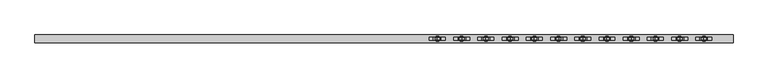
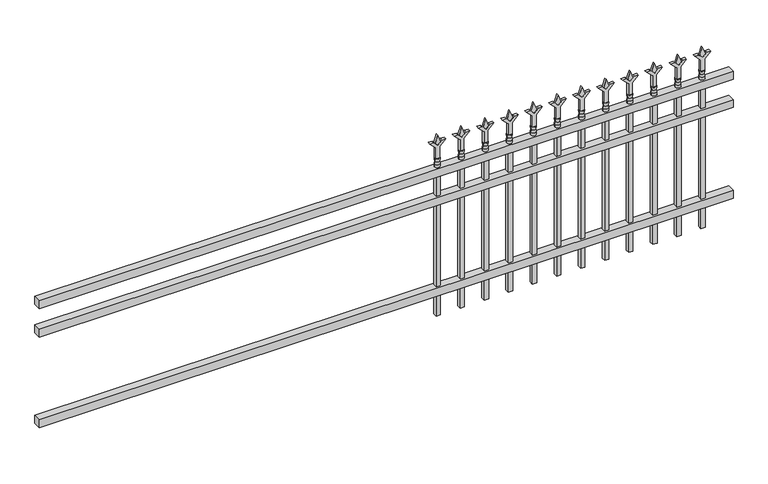
"""IFC4 building model written with IfcOpenShell, lengths in millimetres: railing geometry."""

from ifc_helpers import new_model, si_unit, frame, origin, place, context, project, spatial, polyline, circle_curve, outline, extrude, source, transform, mapped, element, save
from ifc_brep_helpers import plane_surface, cylinder_surface, revolved_surface, advanced_brep


def railing_b8840942(model_context):
    return source(origin(), model_context, "Body", "SolidModel", [
        extrude(outline(polyline([(-91799.918087, -652.7195174), (-91799.918087, -617.7945174), (-88650.318087, -617.7945174), (-88650.318087, -652.7195174), (-91799.918087, -652.7195174)])), frame((0.0, 0.0, 723.9), z_axis=(0.0, 0.0, 1.0), x_axis=(1.0, 0.0, 0.0)), (0.0, 0.0, 1.0), 38.1),
        extrude(outline(polyline([(-91799.918087, -652.7195174), (-91799.918087, -617.7945174), (-88650.318087, -617.7945174), (-88650.318087, -652.7195174), (-91799.918087, -652.7195174)])), frame((0.0, 0.0, 587.375), z_axis=(0.0, 0.0, 1.0), x_axis=(1.0, 0.0, 0.0)), (0.0, 0.0, 1.0), 38.1),
        extrude(outline(polyline([(-91799.918087, -652.7195174), (-91799.918087, -617.7945174), (-88650.318087, -617.7945174), (-88650.318087, -652.7195174), (-91799.918087, -652.7195174)])), frame((0.0, 0.0, 152.4), z_axis=(0.0, 0.0, 1.0), x_axis=(1.0, 0.0, 0.0)), (0.0, 0.0, 1.0), 38.1),
        extrude(outline(polyline([(878.68125, -88879.4472536), (914.4, -88891.3535036), (878.68125, -88903.2597536), (866.775, -88891.3535036), (878.68125, -88879.4472536)])), frame((0.0, -640.0195174, 0.0), z_axis=(0.0, 1.0, 0.0), x_axis=(0.0, 0.0, 1.0)), (0.0, 0.0, 1.0), 9.525),
        extrude(outline(polyline([(803.275, -88882.6222536), (857.5457378, -88882.6222536), (884.7355122, -88855.4324791), (884.7355122, -88873.3929914), (866.775, -88891.3535036), (884.7355122, -88909.3140159), (884.7355122, -88927.2745281), (857.5457378, -88900.0847536), (803.275, -88900.0847536), (803.275, -88882.6222536)])), frame((0.0, -641.6070174, 0.0), z_axis=(0.0, 1.0, 0.0), x_axis=(0.0, 0.0, 1.0)), (0.0, 0.0, 1.0), 12.7),
        advanced_brep(
        [(-88879.4472536, -635.2570174, 774.7), (-88903.2597536, -635.2570174, 774.7), (-88903.2597536, -635.2570174, 762.0), (-88879.4472536, -635.2570174, 762.0), (-88881.6525855, -635.2570174, 787.2070585), (-88901.0544218, -635.2570174, 787.2070585), (-88879.4472536, -635.2570174, 803.275), (-88903.2597536, -635.2570174, 803.275), (-88891.3535036, -635.2570174, 803.275), (-88891.3535036, -635.2570174, 762.0)],
        [
            (0, 1, circle_curve(frame((-88891.3535036, -635.2570174, 774.7), z_axis=(0.0, 0.0, -1.0), x_axis=(-1.0, 0.0, 0.0)), 11.90625)),
            (1, 2),
            (2, 3, circle_curve(frame((-88891.3535036, -635.2570174, 762.0), z_axis=(0.0, 0.0, 1.0), x_axis=(-1.0, 0.0, 0.0)), 11.90625)),
            (3, 0),
            (1, 0, circle_curve(frame((-88891.3535036, -635.2570174, 774.7), z_axis=(0.0, 0.0, -1.0), x_axis=(-1.0, 0.0, 0.0)), 11.90625)),
            (3, 2, circle_curve(frame((-88891.3535036, -635.2570174, 762.0), z_axis=(0.0, 0.0, 1.0), x_axis=(-1.0, 0.0, 0.0)), 11.90625)),
            (4, 5, circle_curve(frame((-88891.3535036, -635.2570174, 787.2070585), z_axis=(0.0, 0.0, -1.0), x_axis=(-1.0, 0.0, 0.0)), 9.7009181)),
            (5, 1),
            (0, 4),
            (5, 4, circle_curve(frame((-88891.3535036, -635.2570174, 787.2070585), z_axis=(0.0, 0.0, -1.0), x_axis=(-1.0, 0.0, 0.0)), 9.7009181)),
            (6, 7, circle_curve(frame((-88891.3535036, -635.2570174, 803.275), z_axis=(0.0, 0.0, -1.0), x_axis=(-1.0, 0.0, 0.0)), 11.90625)),
            (7, 5),
            (4, 6),
            (7, 6, circle_curve(frame((-88891.3535036, -635.2570174, 803.275), z_axis=(0.0, 0.0, -1.0), x_axis=(-1.0, 0.0, 0.0)), 11.90625)),
            (8, 7),
            (6, 8),
            (2, 9),
            (9, 3),
        ],
        [
            cylinder_surface(frame((-88891.3535036, -635.2570174, 762.0), z_axis=(0.0, 0.0, 1.0), x_axis=(-1.0, 0.0, 0.0)), 11.90625),
            revolved_surface(polyline([(-88903.2597536, -635.2570174, 774.7), (-88901.0544218, -635.2570174, 787.2070585)]), (-88891.3535036, -635.2570174, 762.0), (0.0, 0.0, 1.0)),
            revolved_surface(polyline([(-88901.0544218, -635.2570174, 787.2070585), (-88903.2597536, -635.2570174, 803.275)]), (-88891.3535036, -635.2570174, 762.0), (0.0, 0.0, 1.0)),
            plane_surface(frame((-88891.3535036, -635.2570174, 803.275), z_axis=(0.0, 0.0, 1.0), x_axis=(-1.0, 0.0, 0.0))),
            plane_surface(frame((-88891.3535036, -635.2570174, 762.0), z_axis=(0.0, 0.0, -1.0), x_axis=(-1.0, 0.0, 0.0))),
        ],
        [
            (0, [[1, 2, 3, 4]]),
            (0, [[5, -4, 6, -2]]),
            (1, [[7, 8, -1, 9]]),
            (1, [[10, -9, -5, -8]]),
            (2, [[11, 12, -7, 13]]),
            (2, [[14, -13, -10, -12]]),
            (3, [[15, -11, 16]]),
            (3, [[-16, -14, -15]]),
            (4, [[-3, 17, 18]]),
            (4, [[-6, -18, -17]]),
        ],
    ),
        extrude(outline(polyline([(-88900.8785036, -625.7320174), (-88881.8285036, -625.7320174), (-88881.8285036, -644.7820174), (-88900.8785036, -644.7820174), (-88900.8785036, -625.7320174)])), frame((0.0, 0.0, 50.8), z_axis=(0.0, 0.0, 1.0), x_axis=(1.0, 0.0, 0.0)), (0.0, 0.0, 1.0), 711.2),
        extrude(outline(polyline([(878.68125, -88988.7201703), (914.4, -89000.6264203), (878.68125, -89012.5326703), (866.775, -89000.6264203), (878.68125, -88988.7201703)])), frame((0.0, -640.0195174, 0.0), z_axis=(0.0, 1.0, 0.0), x_axis=(0.0, 0.0, 1.0)), (0.0, 0.0, 1.0), 9.525),
        extrude(outline(polyline([(803.275, -88991.8951703), (857.5457378, -88991.8951703), (884.7355122, -88964.7053958), (884.7355122, -88982.6659081), (866.775, -89000.6264203), (884.7355122, -89018.5869325), (884.7355122, -89036.5474448), (857.5457378, -89009.3576703), (803.275, -89009.3576703), (803.275, -88991.8951703)])), frame((0.0, -641.6070174, 0.0), z_axis=(0.0, 1.0, 0.0), x_axis=(0.0, 0.0, 1.0)), (0.0, 0.0, 1.0), 12.7),
        advanced_brep(
        [(-88988.7201703, -635.2570174, 774.7), (-89012.5326703, -635.2570174, 774.7), (-89012.5326703, -635.2570174, 762.0), (-88988.7201703, -635.2570174, 762.0), (-88990.9255022, -635.2570174, 787.2070585), (-89010.3273384, -635.2570174, 787.2070585), (-88988.7201703, -635.2570174, 803.275), (-89012.5326703, -635.2570174, 803.275), (-89000.6264203, -635.2570174, 803.275), (-89000.6264203, -635.2570174, 762.0)],
        [
            (0, 1, circle_curve(frame((-89000.6264203, -635.2570174, 774.7), z_axis=(0.0, 0.0, -1.0), x_axis=(-1.0, 0.0, 0.0)), 11.90625)),
            (1, 2),
            (2, 3, circle_curve(frame((-89000.6264203, -635.2570174, 762.0), z_axis=(0.0, 0.0, 1.0), x_axis=(-1.0, 0.0, 0.0)), 11.90625)),
            (3, 0),
            (1, 0, circle_curve(frame((-89000.6264203, -635.2570174, 774.7), z_axis=(0.0, 0.0, -1.0), x_axis=(-1.0, 0.0, 0.0)), 11.90625)),
            (3, 2, circle_curve(frame((-89000.6264203, -635.2570174, 762.0), z_axis=(0.0, 0.0, 1.0), x_axis=(-1.0, 0.0, 0.0)), 11.90625)),
            (4, 5, circle_curve(frame((-89000.6264203, -635.2570174, 787.2070585), z_axis=(0.0, 0.0, -1.0), x_axis=(-1.0, 0.0, 0.0)), 9.7009181)),
            (5, 1),
            (0, 4),
            (5, 4, circle_curve(frame((-89000.6264203, -635.2570174, 787.2070585), z_axis=(0.0, 0.0, -1.0), x_axis=(-1.0, 0.0, 0.0)), 9.7009181)),
            (6, 7, circle_curve(frame((-89000.6264203, -635.2570174, 803.275), z_axis=(0.0, 0.0, -1.0), x_axis=(-1.0, 0.0, 0.0)), 11.90625)),
            (7, 5),
            (4, 6),
            (7, 6, circle_curve(frame((-89000.6264203, -635.2570174, 803.275), z_axis=(0.0, 0.0, -1.0), x_axis=(-1.0, 0.0, 0.0)), 11.90625)),
            (8, 7),
            (6, 8),
            (2, 9),
            (9, 3),
        ],
        [
            cylinder_surface(frame((-89000.6264203, -635.2570174, 762.0), z_axis=(0.0, 0.0, 1.0), x_axis=(-1.0, 0.0, 0.0)), 11.90625),
            revolved_surface(polyline([(-89012.5326703, -635.2570174, 774.7), (-89010.3273384, -635.2570174, 787.2070585)]), (-89000.6264203, -635.2570174, 762.0), (0.0, 0.0, 1.0)),
            revolved_surface(polyline([(-89010.3273384, -635.2570174, 787.2070585), (-89012.5326703, -635.2570174, 803.275)]), (-89000.6264203, -635.2570174, 762.0), (0.0, 0.0, 1.0)),
            plane_surface(frame((-89000.6264203, -635.2570174, 803.275), z_axis=(0.0, 0.0, 1.0), x_axis=(-1.0, 0.0, 0.0))),
            plane_surface(frame((-89000.6264203, -635.2570174, 762.0), z_axis=(0.0, 0.0, -1.0), x_axis=(-1.0, 0.0, 0.0))),
        ],
        [
            (0, [[1, 2, 3, 4]]),
            (0, [[5, -4, 6, -2]]),
            (1, [[7, 8, -1, 9]]),
            (1, [[10, -9, -5, -8]]),
            (2, [[11, 12, -7, 13]]),
            (2, [[14, -13, -10, -12]]),
            (3, [[15, -11, 16]]),
            (3, [[-16, -14, -15]]),
            (4, [[-3, 17, 18]]),
            (4, [[-6, -18, -17]]),
        ],
    ),
        extrude(outline(polyline([(-89010.1514203, -625.7320174), (-88991.1014203, -625.7320174), (-88991.1014203, -644.7820174), (-89010.1514203, -644.7820174), (-89010.1514203, -625.7320174)])), frame((0.0, 0.0, 50.8), z_axis=(0.0, 0.0, 1.0), x_axis=(1.0, 0.0, 0.0)), (0.0, 0.0, 1.0), 711.2),
        extrude(outline(polyline([(878.68125, -89097.993087), (914.4, -89109.899337), (878.68125, -89121.805587), (866.775, -89109.899337), (878.68125, -89097.993087)])), frame((0.0, -640.0195174, 0.0), z_axis=(0.0, 1.0, 0.0), x_axis=(0.0, 0.0, 1.0)), (0.0, 0.0, 1.0), 9.525),
        extrude(outline(polyline([(803.275, -89101.168087), (857.5457378, -89101.168087), (884.7355122, -89073.9783125), (884.7355122, -89091.9388247), (866.775, -89109.899337), (884.7355122, -89127.8598492), (884.7355122, -89145.8203614), (857.5457378, -89118.630587), (803.275, -89118.630587), (803.275, -89101.168087)])), frame((0.0, -641.6070174, 0.0), z_axis=(0.0, 1.0, 0.0), x_axis=(0.0, 0.0, 1.0)), (0.0, 0.0, 1.0), 12.7),
        advanced_brep(
        [(-89097.993087, -635.2570174, 774.7), (-89121.805587, -635.2570174, 774.7), (-89121.805587, -635.2570174, 762.0), (-89097.993087, -635.2570174, 762.0), (-89100.1984188, -635.2570174, 787.2070585), (-89119.6002551, -635.2570174, 787.2070585), (-89097.993087, -635.2570174, 803.275), (-89121.805587, -635.2570174, 803.275), (-89109.899337, -635.2570174, 803.275), (-89109.899337, -635.2570174, 762.0)],
        [
            (0, 1, circle_curve(frame((-89109.899337, -635.2570174, 774.7), z_axis=(0.0, 0.0, -1.0), x_axis=(-1.0, 0.0, 0.0)), 11.90625)),
            (1, 2),
            (2, 3, circle_curve(frame((-89109.899337, -635.2570174, 762.0), z_axis=(0.0, 0.0, 1.0), x_axis=(-1.0, 0.0, 0.0)), 11.90625)),
            (3, 0),
            (1, 0, circle_curve(frame((-89109.899337, -635.2570174, 774.7), z_axis=(0.0, 0.0, -1.0), x_axis=(-1.0, 0.0, 0.0)), 11.90625)),
            (3, 2, circle_curve(frame((-89109.899337, -635.2570174, 762.0), z_axis=(0.0, 0.0, 1.0), x_axis=(-1.0, 0.0, 0.0)), 11.90625)),
            (4, 5, circle_curve(frame((-89109.899337, -635.2570174, 787.2070585), z_axis=(0.0, 0.0, -1.0), x_axis=(-1.0, 0.0, 0.0)), 9.7009181)),
            (5, 1),
            (0, 4),
            (5, 4, circle_curve(frame((-89109.899337, -635.2570174, 787.2070585), z_axis=(0.0, 0.0, -1.0), x_axis=(-1.0, 0.0, 0.0)), 9.7009181)),
            (6, 7, circle_curve(frame((-89109.899337, -635.2570174, 803.275), z_axis=(0.0, 0.0, -1.0), x_axis=(-1.0, 0.0, 0.0)), 11.90625)),
            (7, 5),
            (4, 6),
            (7, 6, circle_curve(frame((-89109.899337, -635.2570174, 803.275), z_axis=(0.0, 0.0, -1.0), x_axis=(-1.0, 0.0, 0.0)), 11.90625)),
            (8, 7),
            (6, 8),
            (2, 9),
            (9, 3),
        ],
        [
            cylinder_surface(frame((-89109.899337, -635.2570174, 762.0), z_axis=(0.0, 0.0, 1.0), x_axis=(-1.0, 0.0, 0.0)), 11.90625),
            revolved_surface(polyline([(-89121.805587, -635.2570174, 774.7), (-89119.6002551, -635.2570174, 787.2070585)]), (-89109.899337, -635.2570174, 762.0), (0.0, 0.0, 1.0)),
            revolved_surface(polyline([(-89119.6002551, -635.2570174, 787.2070585), (-89121.805587, -635.2570174, 803.275)]), (-89109.899337, -635.2570174, 762.0), (0.0, 0.0, 1.0)),
            plane_surface(frame((-89109.899337, -635.2570174, 803.275), z_axis=(0.0, 0.0, 1.0), x_axis=(-1.0, 0.0, 0.0))),
            plane_surface(frame((-89109.899337, -635.2570174, 762.0), z_axis=(0.0, 0.0, -1.0), x_axis=(-1.0, 0.0, 0.0))),
        ],
        [
            (0, [[1, 2, 3, 4]]),
            (0, [[5, -4, 6, -2]]),
            (1, [[7, 8, -1, 9]]),
            (1, [[10, -9, -5, -8]]),
            (2, [[11, 12, -7, 13]]),
            (2, [[14, -13, -10, -12]]),
            (3, [[15, -11, 16]]),
            (3, [[-16, -14, -15]]),
            (4, [[-3, 17, 18]]),
            (4, [[-6, -18, -17]]),
        ],
    ),
        extrude(outline(polyline([(-89119.424337, -625.7320174), (-89100.374337, -625.7320174), (-89100.374337, -644.7820174), (-89119.424337, -644.7820174), (-89119.424337, -625.7320174)])), frame((0.0, 0.0, 50.8), z_axis=(0.0, 0.0, 1.0), x_axis=(1.0, 0.0, 0.0)), (0.0, 0.0, 1.0), 711.2),
        extrude(outline(polyline([(878.68125, -89207.2660036), (914.4, -89219.1722536), (878.68125, -89231.0785036), (866.775, -89219.1722536), (878.68125, -89207.2660036)])), frame((0.0, -640.0195174, 0.0), z_axis=(0.0, 1.0, 0.0), x_axis=(0.0, 0.0, 1.0)), (0.0, 0.0, 1.0), 9.525),
        extrude(outline(polyline([(803.275, -89210.4410036), (857.5457378, -89210.4410036), (884.7355122, -89183.2512291), (884.7355122, -89201.2117414), (866.775, -89219.1722536), (884.7355122, -89237.1327659), (884.7355122, -89255.0932781), (857.5457378, -89227.9035036), (803.275, -89227.9035036), (803.275, -89210.4410036)])), frame((0.0, -641.6070174, 0.0), z_axis=(0.0, 1.0, 0.0), x_axis=(0.0, 0.0, 1.0)), (0.0, 0.0, 1.0), 12.7),
        advanced_brep(
        [(-89207.2660036, -635.2570174, 774.7), (-89231.0785036, -635.2570174, 774.7), (-89231.0785036, -635.2570174, 762.0), (-89207.2660036, -635.2570174, 762.0), (-89209.4713355, -635.2570174, 787.2070585), (-89228.8731718, -635.2570174, 787.2070585), (-89207.2660036, -635.2570174, 803.275), (-89231.0785036, -635.2570174, 803.275), (-89219.1722536, -635.2570174, 803.275), (-89219.1722536, -635.2570174, 762.0)],
        [
            (0, 1, circle_curve(frame((-89219.1722536, -635.2570174, 774.7), z_axis=(0.0, 0.0, -1.0), x_axis=(-1.0, 0.0, 0.0)), 11.90625)),
            (1, 2),
            (2, 3, circle_curve(frame((-89219.1722536, -635.2570174, 762.0), z_axis=(0.0, 0.0, 1.0), x_axis=(-1.0, 0.0, 0.0)), 11.90625)),
            (3, 0),
            (1, 0, circle_curve(frame((-89219.1722536, -635.2570174, 774.7), z_axis=(0.0, 0.0, -1.0), x_axis=(-1.0, 0.0, 0.0)), 11.90625)),
            (3, 2, circle_curve(frame((-89219.1722536, -635.2570174, 762.0), z_axis=(0.0, 0.0, 1.0), x_axis=(-1.0, 0.0, 0.0)), 11.90625)),
            (4, 5, circle_curve(frame((-89219.1722536, -635.2570174, 787.2070585), z_axis=(0.0, 0.0, -1.0), x_axis=(-1.0, 0.0, 0.0)), 9.7009181)),
            (5, 1),
            (0, 4),
            (5, 4, circle_curve(frame((-89219.1722536, -635.2570174, 787.2070585), z_axis=(0.0, 0.0, -1.0), x_axis=(-1.0, 0.0, 0.0)), 9.7009181)),
            (6, 7, circle_curve(frame((-89219.1722536, -635.2570174, 803.275), z_axis=(0.0, 0.0, -1.0), x_axis=(-1.0, 0.0, 0.0)), 11.90625)),
            (7, 5),
            (4, 6),
            (7, 6, circle_curve(frame((-89219.1722536, -635.2570174, 803.275), z_axis=(0.0, 0.0, -1.0), x_axis=(-1.0, 0.0, 0.0)), 11.90625)),
            (8, 7),
            (6, 8),
            (2, 9),
            (9, 3),
        ],
        [
            cylinder_surface(frame((-89219.1722536, -635.2570174, 762.0), z_axis=(0.0, 0.0, 1.0), x_axis=(-1.0, 0.0, 0.0)), 11.90625),
            revolved_surface(polyline([(-89231.0785036, -635.2570174, 774.7), (-89228.8731718, -635.2570174, 787.2070585)]), (-89219.1722536, -635.2570174, 762.0), (0.0, 0.0, 1.0)),
            revolved_surface(polyline([(-89228.8731718, -635.2570174, 787.2070585), (-89231.0785036, -635.2570174, 803.275)]), (-89219.1722536, -635.2570174, 762.0), (0.0, 0.0, 1.0)),
            plane_surface(frame((-89219.1722536, -635.2570174, 803.275), z_axis=(0.0, 0.0, 1.0), x_axis=(-1.0, 0.0, 0.0))),
            plane_surface(frame((-89219.1722536, -635.2570174, 762.0), z_axis=(0.0, 0.0, -1.0), x_axis=(-1.0, 0.0, 0.0))),
        ],
        [
            (0, [[1, 2, 3, 4]]),
            (0, [[5, -4, 6, -2]]),
            (1, [[7, 8, -1, 9]]),
            (1, [[10, -9, -5, -8]]),
            (2, [[11, 12, -7, 13]]),
            (2, [[14, -13, -10, -12]]),
            (3, [[15, -11, 16]]),
            (3, [[-16, -14, -15]]),
            (4, [[-3, 17, 18]]),
            (4, [[-6, -18, -17]]),
        ],
    ),
        extrude(outline(polyline([(-89228.6972536, -625.7320174), (-89209.6472536, -625.7320174), (-89209.6472536, -644.7820174), (-89228.6972536, -644.7820174), (-89228.6972536, -625.7320174)])), frame((0.0, 0.0, 50.8), z_axis=(0.0, 0.0, 1.0), x_axis=(1.0, 0.0, 0.0)), (0.0, 0.0, 1.0), 711.2),
        extrude(outline(polyline([(878.68125, -89316.5389203), (914.4, -89328.4451703), (878.68125, -89340.3514203), (866.775, -89328.4451703), (878.68125, -89316.5389203)])), frame((0.0, -640.0195174, 0.0), z_axis=(0.0, 1.0, 0.0), x_axis=(0.0, 0.0, 1.0)), (0.0, 0.0, 1.0), 9.525),
        extrude(outline(polyline([(803.275, -89319.7139203), (857.5457378, -89319.7139203), (884.7355122, -89292.5241458), (884.7355122, -89310.4846581), (866.775, -89328.4451703), (884.7355122, -89346.4056825), (884.7355122, -89364.3661948), (857.5457378, -89337.1764203), (803.275, -89337.1764203), (803.275, -89319.7139203)])), frame((0.0, -641.6070174, 0.0), z_axis=(0.0, 1.0, 0.0), x_axis=(0.0, 0.0, 1.0)), (0.0, 0.0, 1.0), 12.7),
        advanced_brep(
        [(-89316.5389203, -635.2570174, 774.7), (-89340.3514203, -635.2570174, 774.7), (-89340.3514203, -635.2570174, 762.0), (-89316.5389203, -635.2570174, 762.0), (-89318.7442522, -635.2570174, 787.2070585), (-89338.1460884, -635.2570174, 787.2070585), (-89316.5389203, -635.2570174, 803.275), (-89340.3514203, -635.2570174, 803.275), (-89328.4451703, -635.2570174, 803.275), (-89328.4451703, -635.2570174, 762.0)],
        [
            (0, 1, circle_curve(frame((-89328.4451703, -635.2570174, 774.7), z_axis=(0.0, 0.0, -1.0), x_axis=(-1.0, 0.0, 0.0)), 11.90625)),
            (1, 2),
            (2, 3, circle_curve(frame((-89328.4451703, -635.2570174, 762.0), z_axis=(0.0, 0.0, 1.0), x_axis=(-1.0, 0.0, 0.0)), 11.90625)),
            (3, 0),
            (1, 0, circle_curve(frame((-89328.4451703, -635.2570174, 774.7), z_axis=(0.0, 0.0, -1.0), x_axis=(-1.0, 0.0, 0.0)), 11.90625)),
            (3, 2, circle_curve(frame((-89328.4451703, -635.2570174, 762.0), z_axis=(0.0, 0.0, 1.0), x_axis=(-1.0, 0.0, 0.0)), 11.90625)),
            (4, 5, circle_curve(frame((-89328.4451703, -635.2570174, 787.2070585), z_axis=(0.0, 0.0, -1.0), x_axis=(-1.0, 0.0, 0.0)), 9.7009181)),
            (5, 1),
            (0, 4),
            (5, 4, circle_curve(frame((-89328.4451703, -635.2570174, 787.2070585), z_axis=(0.0, 0.0, -1.0), x_axis=(-1.0, 0.0, 0.0)), 9.7009181)),
            (6, 7, circle_curve(frame((-89328.4451703, -635.2570174, 803.275), z_axis=(0.0, 0.0, -1.0), x_axis=(-1.0, 0.0, 0.0)), 11.90625)),
            (7, 5),
            (4, 6),
            (7, 6, circle_curve(frame((-89328.4451703, -635.2570174, 803.275), z_axis=(0.0, 0.0, -1.0), x_axis=(-1.0, 0.0, 0.0)), 11.90625)),
            (8, 7),
            (6, 8),
            (2, 9),
            (9, 3),
        ],
        [
            cylinder_surface(frame((-89328.4451703, -635.2570174, 762.0), z_axis=(0.0, 0.0, 1.0), x_axis=(-1.0, 0.0, 0.0)), 11.90625),
            revolved_surface(polyline([(-89340.3514203, -635.2570174, 774.7), (-89338.1460884, -635.2570174, 787.2070585)]), (-89328.4451703, -635.2570174, 762.0), (0.0, 0.0, 1.0)),
            revolved_surface(polyline([(-89338.1460884, -635.2570174, 787.2070585), (-89340.3514203, -635.2570174, 803.275)]), (-89328.4451703, -635.2570174, 762.0), (0.0, 0.0, 1.0)),
            plane_surface(frame((-89328.4451703, -635.2570174, 803.275), z_axis=(0.0, 0.0, 1.0), x_axis=(-1.0, 0.0, 0.0))),
            plane_surface(frame((-89328.4451703, -635.2570174, 762.0), z_axis=(0.0, 0.0, -1.0), x_axis=(-1.0, 0.0, 0.0))),
        ],
        [
            (0, [[1, 2, 3, 4]]),
            (0, [[5, -4, 6, -2]]),
            (1, [[7, 8, -1, 9]]),
            (1, [[10, -9, -5, -8]]),
            (2, [[11, 12, -7, 13]]),
            (2, [[14, -13, -10, -12]]),
            (3, [[15, -11, 16]]),
            (3, [[-16, -14, -15]]),
            (4, [[-3, 17, 18]]),
            (4, [[-6, -18, -17]]),
        ],
    ),
        extrude(outline(polyline([(-89337.9701703, -625.7320174), (-89318.9201703, -625.7320174), (-89318.9201703, -644.7820174), (-89337.9701703, -644.7820174), (-89337.9701703, -625.7320174)])), frame((0.0, 0.0, 50.8), z_axis=(0.0, 0.0, 1.0), x_axis=(1.0, 0.0, 0.0)), (0.0, 0.0, 1.0), 711.2),
        extrude(outline(polyline([(878.68125, -89425.811837), (914.4, -89437.718087), (878.68125, -89449.624337), (866.775, -89437.718087), (878.68125, -89425.811837)])), frame((0.0, -640.0195174, 0.0), z_axis=(0.0, 1.0, 0.0), x_axis=(0.0, 0.0, 1.0)), (0.0, 0.0, 1.0), 9.525),
        extrude(outline(polyline([(803.275, -89428.986837), (857.5457378, -89428.986837), (884.7355122, -89401.7970625), (884.7355122, -89419.7575747), (866.775, -89437.718087), (884.7355122, -89455.6785992), (884.7355122, -89473.6391114), (857.5457378, -89446.449337), (803.275, -89446.449337), (803.275, -89428.986837)])), frame((0.0, -641.6070174, 0.0), z_axis=(0.0, 1.0, 0.0), x_axis=(0.0, 0.0, 1.0)), (0.0, 0.0, 1.0), 12.7),
        advanced_brep(
        [(-89425.811837, -635.2570174, 774.7), (-89449.624337, -635.2570174, 774.7), (-89449.624337, -635.2570174, 762.0), (-89425.811837, -635.2570174, 762.0), (-89428.0171688, -635.2570174, 787.2070585), (-89447.4190051, -635.2570174, 787.2070585), (-89425.811837, -635.2570174, 803.275), (-89449.624337, -635.2570174, 803.275), (-89437.718087, -635.2570174, 803.275), (-89437.718087, -635.2570174, 762.0)],
        [
            (0, 1, circle_curve(frame((-89437.718087, -635.2570174, 774.7), z_axis=(0.0, 0.0, -1.0), x_axis=(-1.0, 0.0, 0.0)), 11.90625)),
            (1, 2),
            (2, 3, circle_curve(frame((-89437.718087, -635.2570174, 762.0), z_axis=(0.0, 0.0, 1.0), x_axis=(-1.0, 0.0, 0.0)), 11.90625)),
            (3, 0),
            (1, 0, circle_curve(frame((-89437.718087, -635.2570174, 774.7), z_axis=(0.0, 0.0, -1.0), x_axis=(-1.0, 0.0, 0.0)), 11.90625)),
            (3, 2, circle_curve(frame((-89437.718087, -635.2570174, 762.0), z_axis=(0.0, 0.0, 1.0), x_axis=(-1.0, 0.0, 0.0)), 11.90625)),
            (4, 5, circle_curve(frame((-89437.718087, -635.2570174, 787.2070585), z_axis=(0.0, 0.0, -1.0), x_axis=(-1.0, 0.0, 0.0)), 9.7009181)),
            (5, 1),
            (0, 4),
            (5, 4, circle_curve(frame((-89437.718087, -635.2570174, 787.2070585), z_axis=(0.0, 0.0, -1.0), x_axis=(-1.0, 0.0, 0.0)), 9.7009181)),
            (6, 7, circle_curve(frame((-89437.718087, -635.2570174, 803.275), z_axis=(0.0, 0.0, -1.0), x_axis=(-1.0, 0.0, 0.0)), 11.90625)),
            (7, 5),
            (4, 6),
            (7, 6, circle_curve(frame((-89437.718087, -635.2570174, 803.275), z_axis=(0.0, 0.0, -1.0), x_axis=(-1.0, 0.0, 0.0)), 11.90625)),
            (8, 7),
            (6, 8),
            (2, 9),
            (9, 3),
        ],
        [
            cylinder_surface(frame((-89437.718087, -635.2570174, 762.0), z_axis=(0.0, 0.0, 1.0), x_axis=(-1.0, 0.0, 0.0)), 11.90625),
            revolved_surface(polyline([(-89449.624337, -635.2570174, 774.7), (-89447.4190051, -635.2570174, 787.2070585)]), (-89437.718087, -635.2570174, 762.0), (0.0, 0.0, 1.0)),
            revolved_surface(polyline([(-89447.4190051, -635.2570174, 787.2070585), (-89449.624337, -635.2570174, 803.275)]), (-89437.718087, -635.2570174, 762.0), (0.0, 0.0, 1.0)),
            plane_surface(frame((-89437.718087, -635.2570174, 803.275), z_axis=(0.0, 0.0, 1.0), x_axis=(-1.0, 0.0, 0.0))),
            plane_surface(frame((-89437.718087, -635.2570174, 762.0), z_axis=(0.0, 0.0, -1.0), x_axis=(-1.0, 0.0, 0.0))),
        ],
        [
            (0, [[1, 2, 3, 4]]),
            (0, [[5, -4, 6, -2]]),
            (1, [[7, 8, -1, 9]]),
            (1, [[10, -9, -5, -8]]),
            (2, [[11, 12, -7, 13]]),
            (2, [[14, -13, -10, -12]]),
            (3, [[15, -11, 16]]),
            (3, [[-16, -14, -15]]),
            (4, [[-3, 17, 18]]),
            (4, [[-6, -18, -17]]),
        ],
    ),
        extrude(outline(polyline([(-89447.243087, -625.7320174), (-89428.193087, -625.7320174), (-89428.193087, -644.7820174), (-89447.243087, -644.7820174), (-89447.243087, -625.7320174)])), frame((0.0, 0.0, 50.8), z_axis=(0.0, 0.0, 1.0), x_axis=(1.0, 0.0, 0.0)), (0.0, 0.0, 1.0), 711.2),
        extrude(outline(polyline([(878.68125, -89535.0847536), (914.4, -89546.9910036), (878.68125, -89558.8972536), (866.775, -89546.9910036), (878.68125, -89535.0847536)])), frame((0.0, -640.0195174, 0.0), z_axis=(0.0, 1.0, 0.0), x_axis=(0.0, 0.0, 1.0)), (0.0, 0.0, 1.0), 9.525),
        extrude(outline(polyline([(803.275, -89538.2597536), (857.5457378, -89538.2597536), (884.7355122, -89511.0699791), (884.7355122, -89529.0304914), (866.775, -89546.9910036), (884.7355122, -89564.9515159), (884.7355122, -89582.9120281), (857.5457378, -89555.7222536), (803.275, -89555.7222536), (803.275, -89538.2597536)])), frame((0.0, -641.6070174, 0.0), z_axis=(0.0, 1.0, 0.0), x_axis=(0.0, 0.0, 1.0)), (0.0, 0.0, 1.0), 12.7),
        advanced_brep(
        [(-89535.0847536, -635.2570174, 774.7), (-89558.8972536, -635.2570174, 774.7), (-89558.8972536, -635.2570174, 762.0), (-89535.0847536, -635.2570174, 762.0), (-89537.2900855, -635.2570174, 787.2070585), (-89556.6919218, -635.2570174, 787.2070585), (-89535.0847536, -635.2570174, 803.275), (-89558.8972536, -635.2570174, 803.275), (-89546.9910036, -635.2570174, 803.275), (-89546.9910036, -635.2570174, 762.0)],
        [
            (0, 1, circle_curve(frame((-89546.9910036, -635.2570174, 774.7), z_axis=(0.0, 0.0, -1.0), x_axis=(-1.0, 0.0, 0.0)), 11.90625)),
            (1, 2),
            (2, 3, circle_curve(frame((-89546.9910036, -635.2570174, 762.0), z_axis=(0.0, 0.0, 1.0), x_axis=(-1.0, 0.0, 0.0)), 11.90625)),
            (3, 0),
            (1, 0, circle_curve(frame((-89546.9910036, -635.2570174, 774.7), z_axis=(0.0, 0.0, -1.0), x_axis=(-1.0, 0.0, 0.0)), 11.90625)),
            (3, 2, circle_curve(frame((-89546.9910036, -635.2570174, 762.0), z_axis=(0.0, 0.0, 1.0), x_axis=(-1.0, 0.0, 0.0)), 11.90625)),
            (4, 5, circle_curve(frame((-89546.9910036, -635.2570174, 787.2070585), z_axis=(0.0, 0.0, -1.0), x_axis=(-1.0, 0.0, 0.0)), 9.7009181)),
            (5, 1),
            (0, 4),
            (5, 4, circle_curve(frame((-89546.9910036, -635.2570174, 787.2070585), z_axis=(0.0, 0.0, -1.0), x_axis=(-1.0, 0.0, 0.0)), 9.7009181)),
            (6, 7, circle_curve(frame((-89546.9910036, -635.2570174, 803.275), z_axis=(0.0, 0.0, -1.0), x_axis=(-1.0, 0.0, 0.0)), 11.90625)),
            (7, 5),
            (4, 6),
            (7, 6, circle_curve(frame((-89546.9910036, -635.2570174, 803.275), z_axis=(0.0, 0.0, -1.0), x_axis=(-1.0, 0.0, 0.0)), 11.90625)),
            (8, 7),
            (6, 8),
            (2, 9),
            (9, 3),
        ],
        [
            cylinder_surface(frame((-89546.9910036, -635.2570174, 762.0), z_axis=(0.0, 0.0, 1.0), x_axis=(-1.0, 0.0, 0.0)), 11.90625),
            revolved_surface(polyline([(-89558.8972536, -635.2570174, 774.7), (-89556.6919218, -635.2570174, 787.2070585)]), (-89546.9910036, -635.2570174, 762.0), (0.0, 0.0, 1.0)),
            revolved_surface(polyline([(-89556.6919218, -635.2570174, 787.2070585), (-89558.8972536, -635.2570174, 803.275)]), (-89546.9910036, -635.2570174, 762.0), (0.0, 0.0, 1.0)),
            plane_surface(frame((-89546.9910036, -635.2570174, 803.275), z_axis=(0.0, 0.0, 1.0), x_axis=(-1.0, 0.0, 0.0))),
            plane_surface(frame((-89546.9910036, -635.2570174, 762.0), z_axis=(0.0, 0.0, -1.0), x_axis=(-1.0, 0.0, 0.0))),
        ],
        [
            (0, [[1, 2, 3, 4]]),
            (0, [[5, -4, 6, -2]]),
            (1, [[7, 8, -1, 9]]),
            (1, [[10, -9, -5, -8]]),
            (2, [[11, 12, -7, 13]]),
            (2, [[14, -13, -10, -12]]),
            (3, [[15, -11, 16]]),
            (3, [[-16, -14, -15]]),
            (4, [[-3, 17, 18]]),
            (4, [[-6, -18, -17]]),
        ],
    ),
        extrude(outline(polyline([(-89556.5160036, -625.7320174), (-89537.4660036, -625.7320174), (-89537.4660036, -644.7820174), (-89556.5160036, -644.7820174), (-89556.5160036, -625.7320174)])), frame((0.0, 0.0, 50.8), z_axis=(0.0, 0.0, 1.0), x_axis=(1.0, 0.0, 0.0)), (0.0, 0.0, 1.0), 711.2),
        extrude(outline(polyline([(878.68125, -89644.3576703), (914.4, -89656.2639203), (878.68125, -89668.1701703), (866.775, -89656.2639203), (878.68125, -89644.3576703)])), frame((0.0, -640.0195174, 0.0), z_axis=(0.0, 1.0, 0.0), x_axis=(0.0, 0.0, 1.0)), (0.0, 0.0, 1.0), 9.525),
        extrude(outline(polyline([(803.275, -89647.5326703), (857.5457378, -89647.5326703), (884.7355122, -89620.3428958), (884.7355122, -89638.3034081), (866.775, -89656.2639203), (884.7355122, -89674.2244325), (884.7355122, -89692.1849448), (857.5457378, -89664.9951703), (803.275, -89664.9951703), (803.275, -89647.5326703)])), frame((0.0, -641.6070174, 0.0), z_axis=(0.0, 1.0, 0.0), x_axis=(0.0, 0.0, 1.0)), (0.0, 0.0, 1.0), 12.7),
        advanced_brep(
        [(-89644.3576703, -635.2570174, 774.7), (-89668.1701703, -635.2570174, 774.7), (-89668.1701703, -635.2570174, 762.0), (-89644.3576703, -635.2570174, 762.0), (-89646.5630022, -635.2570174, 787.2070585), (-89665.9648384, -635.2570174, 787.2070585), (-89644.3576703, -635.2570174, 803.275), (-89668.1701703, -635.2570174, 803.275), (-89656.2639203, -635.2570174, 803.275), (-89656.2639203, -635.2570174, 762.0)],
        [
            (0, 1, circle_curve(frame((-89656.2639203, -635.2570174, 774.7), z_axis=(0.0, 0.0, -1.0), x_axis=(-1.0, 0.0, 0.0)), 11.90625)),
            (1, 2),
            (2, 3, circle_curve(frame((-89656.2639203, -635.2570174, 762.0), z_axis=(0.0, 0.0, 1.0), x_axis=(-1.0, 0.0, 0.0)), 11.90625)),
            (3, 0),
            (1, 0, circle_curve(frame((-89656.2639203, -635.2570174, 774.7), z_axis=(0.0, 0.0, -1.0), x_axis=(-1.0, 0.0, 0.0)), 11.90625)),
            (3, 2, circle_curve(frame((-89656.2639203, -635.2570174, 762.0), z_axis=(0.0, 0.0, 1.0), x_axis=(-1.0, 0.0, 0.0)), 11.90625)),
            (4, 5, circle_curve(frame((-89656.2639203, -635.2570174, 787.2070585), z_axis=(0.0, 0.0, -1.0), x_axis=(-1.0, 0.0, 0.0)), 9.7009181)),
            (5, 1),
            (0, 4),
            (5, 4, circle_curve(frame((-89656.2639203, -635.2570174, 787.2070585), z_axis=(0.0, 0.0, -1.0), x_axis=(-1.0, 0.0, 0.0)), 9.7009181)),
            (6, 7, circle_curve(frame((-89656.2639203, -635.2570174, 803.275), z_axis=(0.0, 0.0, -1.0), x_axis=(-1.0, 0.0, 0.0)), 11.90625)),
            (7, 5),
            (4, 6),
            (7, 6, circle_curve(frame((-89656.2639203, -635.2570174, 803.275), z_axis=(0.0, 0.0, -1.0), x_axis=(-1.0, 0.0, 0.0)), 11.90625)),
            (8, 7),
            (6, 8),
            (2, 9),
            (9, 3),
        ],
        [
            cylinder_surface(frame((-89656.2639203, -635.2570174, 762.0), z_axis=(0.0, 0.0, 1.0), x_axis=(-1.0, 0.0, 0.0)), 11.90625),
            revolved_surface(polyline([(-89668.1701703, -635.2570174, 774.7), (-89665.9648384, -635.2570174, 787.2070585)]), (-89656.2639203, -635.2570174, 762.0), (0.0, 0.0, 1.0)),
            revolved_surface(polyline([(-89665.9648384, -635.2570174, 787.2070585), (-89668.1701703, -635.2570174, 803.275)]), (-89656.2639203, -635.2570174, 762.0), (0.0, 0.0, 1.0)),
            plane_surface(frame((-89656.2639203, -635.2570174, 803.275), z_axis=(0.0, 0.0, 1.0), x_axis=(-1.0, 0.0, 0.0))),
            plane_surface(frame((-89656.2639203, -635.2570174, 762.0), z_axis=(0.0, 0.0, -1.0), x_axis=(-1.0, 0.0, 0.0))),
        ],
        [
            (0, [[1, 2, 3, 4]]),
            (0, [[5, -4, 6, -2]]),
            (1, [[7, 8, -1, 9]]),
            (1, [[10, -9, -5, -8]]),
            (2, [[11, 12, -7, 13]]),
            (2, [[14, -13, -10, -12]]),
            (3, [[15, -11, 16]]),
            (3, [[-16, -14, -15]]),
            (4, [[-3, 17, 18]]),
            (4, [[-6, -18, -17]]),
        ],
    ),
        extrude(outline(polyline([(-89665.7889203, -625.7320174), (-89646.7389203, -625.7320174), (-89646.7389203, -644.7820174), (-89665.7889203, -644.7820174), (-89665.7889203, -625.7320174)])), frame((0.0, 0.0, 50.8), z_axis=(0.0, 0.0, 1.0), x_axis=(1.0, 0.0, 0.0)), (0.0, 0.0, 1.0), 711.2),
        extrude(outline(polyline([(878.68125, -89753.630587), (914.4, -89765.536837), (878.68125, -89777.443087), (866.775, -89765.536837), (878.68125, -89753.630587)])), frame((0.0, -640.0195174, 0.0), z_axis=(0.0, 1.0, 0.0), x_axis=(0.0, 0.0, 1.0)), (0.0, 0.0, 1.0), 9.525),
        extrude(outline(polyline([(803.275, -89756.805587), (857.5457378, -89756.805587), (884.7355122, -89729.6158125), (884.7355122, -89747.5763247), (866.775, -89765.536837), (884.7355122, -89783.4973492), (884.7355122, -89801.4578614), (857.5457378, -89774.268087), (803.275, -89774.268087), (803.275, -89756.805587)])), frame((0.0, -641.6070174, 0.0), z_axis=(0.0, 1.0, 0.0), x_axis=(0.0, 0.0, 1.0)), (0.0, 0.0, 1.0), 12.7),
        advanced_brep(
        [(-89753.630587, -635.2570174, 774.7), (-89777.443087, -635.2570174, 774.7), (-89777.443087, -635.2570174, 762.0), (-89753.630587, -635.2570174, 762.0), (-89755.8359188, -635.2570174, 787.2070585), (-89775.2377551, -635.2570174, 787.2070585), (-89753.630587, -635.2570174, 803.275), (-89777.443087, -635.2570174, 803.275), (-89765.536837, -635.2570174, 803.275), (-89765.536837, -635.2570174, 762.0)],
        [
            (0, 1, circle_curve(frame((-89765.536837, -635.2570174, 774.7), z_axis=(0.0, 0.0, -1.0), x_axis=(-1.0, 0.0, 0.0)), 11.90625)),
            (1, 2),
            (2, 3, circle_curve(frame((-89765.536837, -635.2570174, 762.0), z_axis=(0.0, 0.0, 1.0), x_axis=(-1.0, 0.0, 0.0)), 11.90625)),
            (3, 0),
            (1, 0, circle_curve(frame((-89765.536837, -635.2570174, 774.7), z_axis=(0.0, 0.0, -1.0), x_axis=(-1.0, 0.0, 0.0)), 11.90625)),
            (3, 2, circle_curve(frame((-89765.536837, -635.2570174, 762.0), z_axis=(0.0, 0.0, 1.0), x_axis=(-1.0, 0.0, 0.0)), 11.90625)),
            (4, 5, circle_curve(frame((-89765.536837, -635.2570174, 787.2070585), z_axis=(0.0, 0.0, -1.0), x_axis=(-1.0, 0.0, 0.0)), 9.7009181)),
            (5, 1),
            (0, 4),
            (5, 4, circle_curve(frame((-89765.536837, -635.2570174, 787.2070585), z_axis=(0.0, 0.0, -1.0), x_axis=(-1.0, 0.0, 0.0)), 9.7009181)),
            (6, 7, circle_curve(frame((-89765.536837, -635.2570174, 803.275), z_axis=(0.0, 0.0, -1.0), x_axis=(-1.0, 0.0, 0.0)), 11.90625)),
            (7, 5),
            (4, 6),
            (7, 6, circle_curve(frame((-89765.536837, -635.2570174, 803.275), z_axis=(0.0, 0.0, -1.0), x_axis=(-1.0, 0.0, 0.0)), 11.90625)),
            (8, 7),
            (6, 8),
            (2, 9),
            (9, 3),
        ],
        [
            cylinder_surface(frame((-89765.536837, -635.2570174, 762.0), z_axis=(0.0, 0.0, 1.0), x_axis=(-1.0, 0.0, 0.0)), 11.90625),
            revolved_surface(polyline([(-89777.443087, -635.2570174, 774.7), (-89775.2377551, -635.2570174, 787.2070585)]), (-89765.536837, -635.2570174, 762.0), (0.0, 0.0, 1.0)),
            revolved_surface(polyline([(-89775.2377551, -635.2570174, 787.2070585), (-89777.443087, -635.2570174, 803.275)]), (-89765.536837, -635.2570174, 762.0), (0.0, 0.0, 1.0)),
            plane_surface(frame((-89765.536837, -635.2570174, 803.275), z_axis=(0.0, 0.0, 1.0), x_axis=(-1.0, 0.0, 0.0))),
            plane_surface(frame((-89765.536837, -635.2570174, 762.0), z_axis=(0.0, 0.0, -1.0), x_axis=(-1.0, 0.0, 0.0))),
        ],
        [
            (0, [[1, 2, 3, 4]]),
            (0, [[5, -4, 6, -2]]),
            (1, [[7, 8, -1, 9]]),
            (1, [[10, -9, -5, -8]]),
            (2, [[11, 12, -7, 13]]),
            (2, [[14, -13, -10, -12]]),
            (3, [[15, -11, 16]]),
            (3, [[-16, -14, -15]]),
            (4, [[-3, 17, 18]]),
            (4, [[-6, -18, -17]]),
        ],
    ),
        extrude(outline(polyline([(-89775.061837, -625.7320174), (-89756.011837, -625.7320174), (-89756.011837, -644.7820174), (-89775.061837, -644.7820174), (-89775.061837, -625.7320174)])), frame((0.0, 0.0, 50.8), z_axis=(0.0, 0.0, 1.0), x_axis=(1.0, 0.0, 0.0)), (0.0, 0.0, 1.0), 711.2),
        extrude(outline(polyline([(878.68125, -89862.9035036), (914.4, -89874.8097536), (878.68125, -89886.7160036), (866.775, -89874.8097536), (878.68125, -89862.9035036)])), frame((0.0, -640.0195174, 0.0), z_axis=(0.0, 1.0, 0.0), x_axis=(0.0, 0.0, 1.0)), (0.0, 0.0, 1.0), 9.525),
        extrude(outline(polyline([(803.275, -89866.0785036), (857.5457378, -89866.0785036), (884.7355122, -89838.8887291), (884.7355122, -89856.8492414), (866.775, -89874.8097536), (884.7355122, -89892.7702659), (884.7355122, -89910.7307781), (857.5457378, -89883.5410036), (803.275, -89883.5410036), (803.275, -89866.0785036)])), frame((0.0, -641.6070174, 0.0), z_axis=(0.0, 1.0, 0.0), x_axis=(0.0, 0.0, 1.0)), (0.0, 0.0, 1.0), 12.7),
        advanced_brep(
        [(-89862.9035036, -635.2570174, 774.7), (-89886.7160036, -635.2570174, 774.7), (-89886.7160036, -635.2570174, 762.0), (-89862.9035036, -635.2570174, 762.0), (-89865.1088355, -635.2570174, 787.2070585), (-89884.5106718, -635.2570174, 787.2070585), (-89862.9035036, -635.2570174, 803.275), (-89886.7160036, -635.2570174, 803.275), (-89874.8097536, -635.2570174, 803.275), (-89874.8097536, -635.2570174, 762.0)],
        [
            (0, 1, circle_curve(frame((-89874.8097536, -635.2570174, 774.7), z_axis=(0.0, 0.0, -1.0), x_axis=(-1.0, 0.0, 0.0)), 11.90625)),
            (1, 2),
            (2, 3, circle_curve(frame((-89874.8097536, -635.2570174, 762.0), z_axis=(0.0, 0.0, 1.0), x_axis=(-1.0, 0.0, 0.0)), 11.90625)),
            (3, 0),
            (1, 0, circle_curve(frame((-89874.8097536, -635.2570174, 774.7), z_axis=(0.0, 0.0, -1.0), x_axis=(-1.0, 0.0, 0.0)), 11.90625)),
            (3, 2, circle_curve(frame((-89874.8097536, -635.2570174, 762.0), z_axis=(0.0, 0.0, 1.0), x_axis=(-1.0, 0.0, 0.0)), 11.90625)),
            (4, 5, circle_curve(frame((-89874.8097536, -635.2570174, 787.2070585), z_axis=(0.0, 0.0, -1.0), x_axis=(-1.0, 0.0, 0.0)), 9.7009181)),
            (5, 1),
            (0, 4),
            (5, 4, circle_curve(frame((-89874.8097536, -635.2570174, 787.2070585), z_axis=(0.0, 0.0, -1.0), x_axis=(-1.0, 0.0, 0.0)), 9.7009181)),
            (6, 7, circle_curve(frame((-89874.8097536, -635.2570174, 803.275), z_axis=(0.0, 0.0, -1.0), x_axis=(-1.0, 0.0, 0.0)), 11.90625)),
            (7, 5),
            (4, 6),
            (7, 6, circle_curve(frame((-89874.8097536, -635.2570174, 803.275), z_axis=(0.0, 0.0, -1.0), x_axis=(-1.0, 0.0, 0.0)), 11.90625)),
            (8, 7),
            (6, 8),
            (2, 9),
            (9, 3),
        ],
        [
            cylinder_surface(frame((-89874.8097536, -635.2570174, 762.0), z_axis=(0.0, 0.0, 1.0), x_axis=(-1.0, 0.0, 0.0)), 11.90625),
            revolved_surface(polyline([(-89886.7160036, -635.2570174, 774.7), (-89884.5106718, -635.2570174, 787.2070585)]), (-89874.8097536, -635.2570174, 762.0), (0.0, 0.0, 1.0)),
            revolved_surface(polyline([(-89884.5106718, -635.2570174, 787.2070585), (-89886.7160036, -635.2570174, 803.275)]), (-89874.8097536, -635.2570174, 762.0), (0.0, 0.0, 1.0)),
            plane_surface(frame((-89874.8097536, -635.2570174, 803.275), z_axis=(0.0, 0.0, 1.0), x_axis=(-1.0, 0.0, 0.0))),
            plane_surface(frame((-89874.8097536, -635.2570174, 762.0), z_axis=(0.0, 0.0, -1.0), x_axis=(-1.0, 0.0, 0.0))),
        ],
        [
            (0, [[1, 2, 3, 4]]),
            (0, [[5, -4, 6, -2]]),
            (1, [[7, 8, -1, 9]]),
            (1, [[10, -9, -5, -8]]),
            (2, [[11, 12, -7, 13]]),
            (2, [[14, -13, -10, -12]]),
            (3, [[15, -11, 16]]),
            (3, [[-16, -14, -15]]),
            (4, [[-3, 17, 18]]),
            (4, [[-6, -18, -17]]),
        ],
    ),
        extrude(outline(polyline([(-89884.3347536, -625.7320174), (-89865.2847536, -625.7320174), (-89865.2847536, -644.7820174), (-89884.3347536, -644.7820174), (-89884.3347536, -625.7320174)])), frame((0.0, 0.0, 50.8), z_axis=(0.0, 0.0, 1.0), x_axis=(1.0, 0.0, 0.0)), (0.0, 0.0, 1.0), 711.2),
        extrude(outline(polyline([(878.68125, -89972.1764203), (914.4, -89984.0826703), (878.68125, -89995.9889203), (866.775, -89984.0826703), (878.68125, -89972.1764203)])), frame((0.0, -640.0195174, 0.0), z_axis=(0.0, 1.0, 0.0), x_axis=(0.0, 0.0, 1.0)), (0.0, 0.0, 1.0), 9.525),
        extrude(outline(polyline([(803.275, -89975.3514203), (857.5457378, -89975.3514203), (884.7355122, -89948.1616458), (884.7355122, -89966.1221581), (866.775, -89984.0826703), (884.7355122, -90002.0431825), (884.7355122, -90020.0036948), (857.5457378, -89992.8139203), (803.275, -89992.8139203), (803.275, -89975.3514203)])), frame((0.0, -641.6070174, 0.0), z_axis=(0.0, 1.0, 0.0), x_axis=(0.0, 0.0, 1.0)), (0.0, 0.0, 1.0), 12.7),
        advanced_brep(
        [(-89972.1764203, -635.2570174, 774.7), (-89995.9889203, -635.2570174, 774.7), (-89995.9889203, -635.2570174, 762.0), (-89972.1764203, -635.2570174, 762.0), (-89974.3817522, -635.2570174, 787.2070585), (-89993.7835884, -635.2570174, 787.2070585), (-89972.1764203, -635.2570174, 803.275), (-89995.9889203, -635.2570174, 803.275), (-89984.0826703, -635.2570174, 803.275), (-89984.0826703, -635.2570174, 762.0)],
        [
            (0, 1, circle_curve(frame((-89984.0826703, -635.2570174, 774.7), z_axis=(0.0, 0.0, -1.0), x_axis=(-1.0, 0.0, 0.0)), 11.90625)),
            (1, 2),
            (2, 3, circle_curve(frame((-89984.0826703, -635.2570174, 762.0), z_axis=(0.0, 0.0, 1.0), x_axis=(-1.0, 0.0, 0.0)), 11.90625)),
            (3, 0),
            (1, 0, circle_curve(frame((-89984.0826703, -635.2570174, 774.7), z_axis=(0.0, 0.0, -1.0), x_axis=(-1.0, 0.0, 0.0)), 11.90625)),
            (3, 2, circle_curve(frame((-89984.0826703, -635.2570174, 762.0), z_axis=(0.0, 0.0, 1.0), x_axis=(-1.0, 0.0, 0.0)), 11.90625)),
            (4, 5, circle_curve(frame((-89984.0826703, -635.2570174, 787.2070585), z_axis=(0.0, 0.0, -1.0), x_axis=(-1.0, 0.0, 0.0)), 9.7009181)),
            (5, 1),
            (0, 4),
            (5, 4, circle_curve(frame((-89984.0826703, -635.2570174, 787.2070585), z_axis=(0.0, 0.0, -1.0), x_axis=(-1.0, 0.0, 0.0)), 9.7009181)),
            (6, 7, circle_curve(frame((-89984.0826703, -635.2570174, 803.275), z_axis=(0.0, 0.0, -1.0), x_axis=(-1.0, 0.0, 0.0)), 11.90625)),
            (7, 5),
            (4, 6),
            (7, 6, circle_curve(frame((-89984.0826703, -635.2570174, 803.275), z_axis=(0.0, 0.0, -1.0), x_axis=(-1.0, 0.0, 0.0)), 11.90625)),
            (8, 7),
            (6, 8),
            (2, 9),
            (9, 3),
        ],
        [
            cylinder_surface(frame((-89984.0826703, -635.2570174, 762.0), z_axis=(0.0, 0.0, 1.0), x_axis=(-1.0, 0.0, 0.0)), 11.90625),
            revolved_surface(polyline([(-89995.9889203, -635.2570174, 774.7), (-89993.7835884, -635.2570174, 787.2070585)]), (-89984.0826703, -635.2570174, 762.0), (0.0, 0.0, 1.0)),
            revolved_surface(polyline([(-89993.7835884, -635.2570174, 787.2070585), (-89995.9889203, -635.2570174, 803.275)]), (-89984.0826703, -635.2570174, 762.0), (0.0, 0.0, 1.0)),
            plane_surface(frame((-89984.0826703, -635.2570174, 803.275), z_axis=(0.0, 0.0, 1.0), x_axis=(-1.0, 0.0, 0.0))),
            plane_surface(frame((-89984.0826703, -635.2570174, 762.0), z_axis=(0.0, 0.0, -1.0), x_axis=(-1.0, 0.0, 0.0))),
        ],
        [
            (0, [[1, 2, 3, 4]]),
            (0, [[5, -4, 6, -2]]),
            (1, [[7, 8, -1, 9]]),
            (1, [[10, -9, -5, -8]]),
            (2, [[11, 12, -7, 13]]),
            (2, [[14, -13, -10, -12]]),
            (3, [[15, -11, 16]]),
            (3, [[-16, -14, -15]]),
            (4, [[-3, 17, 18]]),
            (4, [[-6, -18, -17]]),
        ],
    ),
        extrude(outline(polyline([(-89993.6076703, -625.7320174), (-89974.5576703, -625.7320174), (-89974.5576703, -644.7820174), (-89993.6076703, -644.7820174), (-89993.6076703, -625.7320174)])), frame((0.0, 0.0, 50.8), z_axis=(0.0, 0.0, 1.0), x_axis=(1.0, 0.0, 0.0)), (0.0, 0.0, 1.0), 711.2),
        extrude(outline(polyline([(878.68125, -88770.174337), (914.4, -88782.080587), (878.68125, -88793.986837), (866.775, -88782.080587), (878.68125, -88770.174337)])), frame((0.0, -640.0195174, 0.0), z_axis=(0.0, 1.0, 0.0), x_axis=(0.0, 0.0, 1.0)), (0.0, 0.0, 1.0), 9.525),
        extrude(outline(polyline([(803.275, -88773.349337), (857.5457378, -88773.349337), (884.7355122, -88746.1595625), (884.7355122, -88764.1200747), (866.775, -88782.080587), (884.7355122, -88800.0410992), (884.7355122, -88818.0016114), (857.5457378, -88790.811837), (803.275, -88790.811837), (803.275, -88773.349337)])), frame((0.0, -641.6070174, 0.0), z_axis=(0.0, 1.0, 0.0), x_axis=(0.0, 0.0, 1.0)), (0.0, 0.0, 1.0), 12.7),
        advanced_brep(
        [(-88770.174337, -635.2570174, 774.7), (-88793.986837, -635.2570174, 774.7), (-88793.986837, -635.2570174, 762.0), (-88770.174337, -635.2570174, 762.0), (-88772.3796688, -635.2570174, 787.2070585), (-88791.7815051, -635.2570174, 787.2070585), (-88770.174337, -635.2570174, 803.275), (-88793.986837, -635.2570174, 803.275), (-88782.080587, -635.2570174, 803.275), (-88782.080587, -635.2570174, 762.0)],
        [
            (0, 1, circle_curve(frame((-88782.080587, -635.2570174, 774.7), z_axis=(0.0, 0.0, -1.0), x_axis=(-1.0, 0.0, 0.0)), 11.90625)),
            (1, 2),
            (2, 3, circle_curve(frame((-88782.080587, -635.2570174, 762.0), z_axis=(0.0, 0.0, 1.0), x_axis=(-1.0, 0.0, 0.0)), 11.90625)),
            (3, 0),
            (1, 0, circle_curve(frame((-88782.080587, -635.2570174, 774.7), z_axis=(0.0, 0.0, -1.0), x_axis=(-1.0, 0.0, 0.0)), 11.90625)),
            (3, 2, circle_curve(frame((-88782.080587, -635.2570174, 762.0), z_axis=(0.0, 0.0, 1.0), x_axis=(-1.0, 0.0, 0.0)), 11.90625)),
            (4, 5, circle_curve(frame((-88782.080587, -635.2570174, 787.2070585), z_axis=(0.0, 0.0, -1.0), x_axis=(-1.0, 0.0, 0.0)), 9.7009181)),
            (5, 1),
            (0, 4),
            (5, 4, circle_curve(frame((-88782.080587, -635.2570174, 787.2070585), z_axis=(0.0, 0.0, -1.0), x_axis=(-1.0, 0.0, 0.0)), 9.7009181)),
            (6, 7, circle_curve(frame((-88782.080587, -635.2570174, 803.275), z_axis=(0.0, 0.0, -1.0), x_axis=(-1.0, 0.0, 0.0)), 11.90625)),
            (7, 5),
            (4, 6),
            (7, 6, circle_curve(frame((-88782.080587, -635.2570174, 803.275), z_axis=(0.0, 0.0, -1.0), x_axis=(-1.0, 0.0, 0.0)), 11.90625)),
            (8, 7),
            (6, 8),
            (2, 9),
            (9, 3),
        ],
        [
            cylinder_surface(frame((-88782.080587, -635.2570174, 762.0), z_axis=(0.0, 0.0, 1.0), x_axis=(-1.0, 0.0, 0.0)), 11.90625),
            revolved_surface(polyline([(-88793.986837, -635.2570174, 774.7), (-88791.7815051, -635.2570174, 787.2070585)]), (-88782.080587, -635.2570174, 762.0), (0.0, 0.0, 1.0)),
            revolved_surface(polyline([(-88791.7815051, -635.2570174, 787.2070585), (-88793.986837, -635.2570174, 803.275)]), (-88782.080587, -635.2570174, 762.0), (0.0, 0.0, 1.0)),
            plane_surface(frame((-88782.080587, -635.2570174, 803.275), z_axis=(0.0, 0.0, 1.0), x_axis=(-1.0, 0.0, 0.0))),
            plane_surface(frame((-88782.080587, -635.2570174, 762.0), z_axis=(0.0, 0.0, -1.0), x_axis=(-1.0, 0.0, 0.0))),
        ],
        [
            (0, [[1, 2, 3, 4]]),
            (0, [[5, -4, 6, -2]]),
            (1, [[7, 8, -1, 9]]),
            (1, [[10, -9, -5, -8]]),
            (2, [[11, 12, -7, 13]]),
            (2, [[14, -13, -10, -12]]),
            (3, [[15, -11, 16]]),
            (3, [[-16, -14, -15]]),
            (4, [[-3, 17, 18]]),
            (4, [[-6, -18, -17]]),
        ],
    ),
        extrude(outline(polyline([(-88791.605587, -625.7320174), (-88772.555587, -625.7320174), (-88772.555587, -644.7820174), (-88791.605587, -644.7820174), (-88791.605587, -625.7320174)])), frame((0.0, 0.0, 50.8), z_axis=(0.0, 0.0, 1.0), x_axis=(1.0, 0.0, 0.0)), (0.0, 0.0, 1.0), 711.2),
    ])


if __name__ == "__main__":
    model = new_model("IFC4")
    model_context = context("Model", 3, world=origin())
    ifc_project = project(units=[si_unit("LENGTHUNIT", "METRE", prefix="MILLI")], contexts=[model_context])
    site = spatial("IfcSite", under=ifc_project)
    building = spatial("IfcBuilding", under=site)
    placement = place(None, origin())
    railing_shape = railing_b8840942(model_context)
    element("IfcRailing", 1, at=placement, inside=building, context=model_context, shape_type="MappedRepresentation", body=[
        mapped(railing_shape, transform((0.0, 0.0, 0.0), x_axis=(1.0, 0.0, 0.0), y_axis=(0.0, 1.0, 0.0), z_axis=(0.0, 0.0, 1.0))),
    ])
    save(model, "model.ifc")
